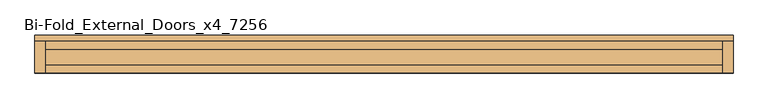
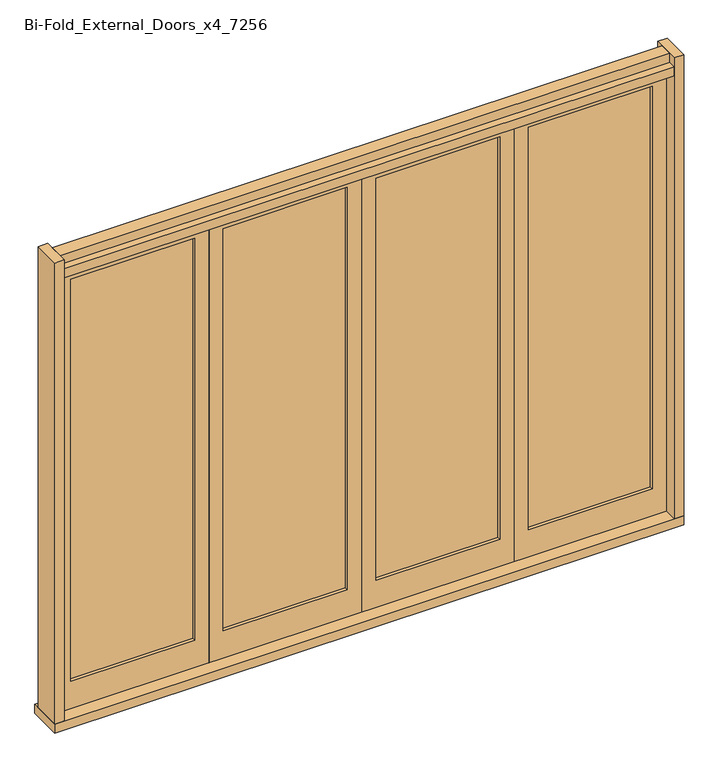
"""IFC4 building model written with IfcOpenShell, lengths in millimetres: door geometry, Bi-Fold_External_Doors_x4_7256."""

from ifc_helpers import new_model, si_unit, frame, origin, origin_with_axes, place, context, project, spatial, polyline, outline, extrude, source, transform, mapped, element, save


def bi_fold_external_doors_x4_7256_240d8ebc(model_context):
    return source(origin(), model_context, "Body", "SweptSolid", [
        extrude(outline(polyline([(-1525.0, -8.0), (-875.0, -8.0), (-875.0, -12.0), (-1525.0, -12.0), (-1525.0, -8.0)])), frame((0.0, 0.0, 150.0), z_axis=(0.0, 0.0, 1.0), x_axis=(1.0, 0.0, 0.0)), (0.0, 0.0, 1.0), 2230.0),
        extrude(outline(polyline([(0.0, -1600.0), (0.0, -800.0), (2455.0, -800.0), (2455.0, -1600.0), (0.0, -1600.0)]), holes=[polyline([(2380.0, -875.0), (150.0, -875.0), (150.0, -1525.0), (2380.0, -1525.0), (2380.0, -875.0)])]), frame((0.0, -30.0, 0.0), z_axis=(0.0, 1.0, 0.0), x_axis=(0.0, 0.0, 1.0)), (0.0, 0.0, 1.0), 40.0),
        extrude(outline(polyline([(-725.0, -8.0), (-75.0, -8.0), (-75.0, -12.0), (-725.0, -12.0), (-725.0, -8.0)])), frame((0.0, 0.0, 150.0), z_axis=(0.0, 0.0, 1.0), x_axis=(1.0, 0.0, 0.0)), (0.0, 0.0, 1.0), 2230.0),
        extrude(outline(polyline([(0.0, -800.0), (0.0, 0.0), (2455.0, 0.0), (2455.0, -800.0), (0.0, -800.0)]), holes=[polyline([(2380.0, -75.0), (150.0, -75.0), (150.0, -725.0), (2380.0, -725.0), (2380.0, -75.0)])]), frame((0.0, -30.0, 0.0), z_axis=(0.0, 1.0, 0.0), x_axis=(0.0, 0.0, 1.0)), (0.0, 0.0, 1.0), 40.0),
        extrude(outline(polyline([(75.0, -8.0), (725.0, -8.0), (725.0, -12.0), (75.0, -12.0), (75.0, -8.0)])), frame((0.0, 0.0, 150.0), z_axis=(0.0, 0.0, 1.0), x_axis=(1.0, 0.0, 0.0)), (0.0, 0.0, 1.0), 2230.0),
        extrude(outline(polyline([(0.0, 0.0), (0.0, 800.0), (2455.0, 800.0), (2455.0, 0.0), (0.0, 0.0)]), holes=[polyline([(2380.0, 725.0), (150.0, 725.0), (150.0, 75.0), (2380.0, 75.0), (2380.0, 725.0)])]), frame((0.0, -30.0, 0.0), z_axis=(0.0, 1.0, 0.0), x_axis=(0.0, 0.0, 1.0)), (0.0, 0.0, 1.0), 40.0),
        extrude(outline(polyline([(875.0, -8.0), (1525.0, -8.0), (1525.0, -12.0), (875.0, -12.0), (875.0, -8.0)])), frame((0.0, 0.0, 150.0), z_axis=(0.0, 0.0, 1.0), x_axis=(1.0, 0.0, 0.0)), (0.0, 0.0, 1.0), 2230.0),
        extrude(outline(polyline([(0.0, 800.0), (0.0, 1600.0), (2455.0, 1600.0), (2455.0, 800.0), (0.0, 800.0)]), holes=[polyline([(2380.0, 1525.0), (150.0, 1525.0), (150.0, 875.0), (2380.0, 875.0), (2380.0, 1525.0)])]), frame((0.0, -30.0, 0.0), z_axis=(0.0, 1.0, 0.0), x_axis=(0.0, 0.0, 1.0)), (0.0, 0.0, 1.0), 40.0),
        extrude(outline(polyline([(-1600.0, -100.0), (-1650.0, -100.0), (-1650.0, 50.0), (-1600.0, 50.0), (-1600.0, -100.0)])), origin_with_axes(), (0.0, 0.0, 1.0), 2555.0),
        extrude(outline(polyline([(1600.0, -100.0), (1600.0, 50.0), (1650.0, 50.0), (1650.0, -100.0), (1600.0, -100.0)])), origin_with_axes(), (0.0, 0.0, 1.0), 2555.0),
        extrude(outline(polyline([(1650.0, 80.0), (1650.0, -100.0), (-1650.0, -100.0), (-1650.0, 80.0), (1650.0, 80.0)])), frame((0.0, 0.0, -50.0), z_axis=(0.0, 0.0, 1.0), x_axis=(1.0, 0.0, 0.0)), (0.0, 0.0, 1.0), 50.0),
        extrude(outline(polyline([(50.0, 2455.0), (-100.0, 2455.0), (-100.0, 2505.0), (-60.0, 2505.0), (-60.0, 2555.0), (10.0, 2555.0), (10.0, 2505.0), (50.0, 2505.0), (50.0, 2455.0)])), frame((-1600.0, 0.0, 0.0), z_axis=(1.0, 0.0, 0.0), x_axis=(0.0, 1.0, 0.0)), (0.0, 0.0, 1.0), 3200.0),
    ])


if __name__ == "__main__":
    model = new_model("IFC4")
    model_context = context("Model", 3, world=origin())
    ifc_project = project(units=[si_unit("LENGTHUNIT", "METRE", prefix="MILLI")], contexts=[model_context])
    site = spatial("IfcSite", under=ifc_project)
    building = spatial("IfcBuilding", under=site)
    placement = place(None, origin())
    bi_fold_external_doors_x4_7256_shape = bi_fold_external_doors_x4_7256_240d8ebc(model_context)
    element("IfcDoor", 1, ObjectType="Bi-Fold_External_Doors_x4_7256", at=placement, inside=building, context=model_context, shape_type="MappedRepresentation", body=[
        mapped(bi_fold_external_doors_x4_7256_shape, transform((0.0, 0.0, 0.0), x_axis=(1.0, 0.0, 0.0), y_axis=(0.0, 1.0, 0.0), z_axis=(0.0, 0.0, 1.0))),
    ])
    save(model, "model.ifc")
